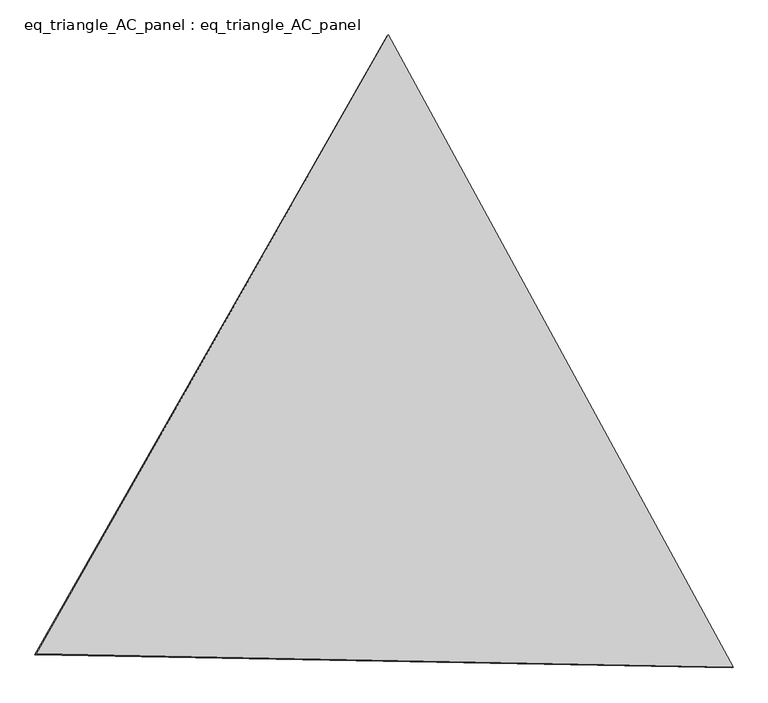
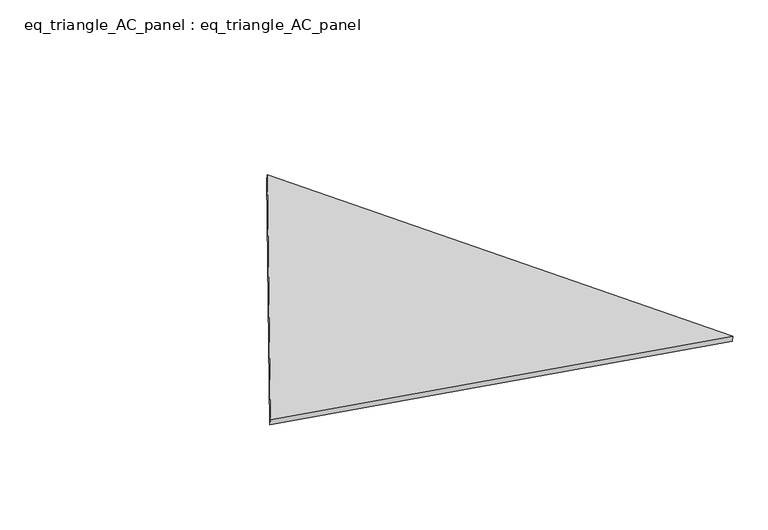
"""IFC4 building model written with IfcOpenShell, lengths in millimetres: proxy geometry, eq_triangle_AC_panel : eq_triangle_AC_panel."""

import ifcopenshell
import ifcopenshell.guid

model = None  # the IFC model being written
_history = None  # IfcOwnerHistory: only IFC2X3 demands one
_inside = {}  # id of a spatial element -> (the spatial element, [elements in it])
_under = {}  # id of a project, library or spatial element -> (it, [spatial elements below it])
_declared = {}  # id of a project -> (the project, [libraries it declares])
_typed = {}  # id of a type object -> (the type object, [elements of that type])
_made_of = {}  # id of a material, layer set ... -> (it, [elements and type objects made of it])


def new_model(schema):
    """Start an empty IFC model of exactly this schema.

    Asked for "IFC4X3", IfcOpenShell would pick the latest addendum, in which some entities
    have other attributes; the version numbers below select the first issue.
    IFC2X3 requires an IfcOwnerHistory on every rooted entity: one is made here for all.
    """
    global model, _history
    if schema == "IFC4X3":
        model = ifcopenshell.file(schema_version=(4, 3, 0, 0))
    else:
        model = ifcopenshell.file(schema=schema)
    _inside.clear()
    _under.clear()
    _declared.clear()
    _typed.clear()
    _made_of.clear()
    _history = None
    if model.schema == "IFC2X3":
        org = make("IfcOrganization", Name="unknown")
        user = make(
            "IfcPersonAndOrganization",
            ThePerson=make("IfcPerson", FamilyName="unknown"),
            TheOrganization=org,
        )
        app = make(
            "IfcApplication",
            ApplicationDeveloper=org,
            Version="unknown",
            ApplicationFullName="unknown",
            ApplicationIdentifier="unknown",
        )
        _history = make(
            "IfcOwnerHistory",
            OwningUser=user,
            OwningApplication=app,
            ChangeAction="ADDED",
            CreationDate=0,
        )
    return model


def make(cls, **values):
    """One entity of the class cls with the attributes given. An attribute that is None is left unset."""
    return model.create_entity(
        cls, **{name: value for name, value in values.items() if value is not None}
    )


def rooted(cls, **values):
    """An entity with a GlobalId (a new one), such as an element, a storey or a relation."""
    return make(cls, GlobalId=ifcopenshell.guid.new(), OwnerHistory=_history, **values)


def si_unit(unit_type, name, prefix=None):
    """IfcSIUnit, for example si_unit("LENGTHUNIT", "METRE", prefix="MILLI")."""
    return make("IfcSIUnit", UnitType=unit_type, Prefix=prefix, Name=name)


def assignment(units):
    """IfcUnitAssignment: the units of a project."""
    return None if units is None else make("IfcUnitAssignment", Units=units)


def point(xyz):
    """IfcCartesianPoint."""
    return None if xyz is None else make("IfcCartesianPoint", Coordinates=xyz)


def direction(xyz):
    """IfcDirection."""
    return None if xyz is None else make("IfcDirection", DirectionRatios=xyz)


def frame(location, z_axis=None, x_axis=None):
    """IfcAxis2Placement3D, a coordinate frame: its origin and axes. An axis left out is left unset."""
    return make(
        "IfcAxis2Placement3D",
        Location=point(location),
        Axis=direction(z_axis),
        RefDirection=direction(x_axis),
    )


def origin():
    """The frame at (0, 0, 0) with its axes left unset."""
    return frame((0.0, 0.0, 0.0))


def place(relative_to, where):
    """IfcLocalPlacement: puts the frame where relative to a parent placement (None: the world)."""
    return make(
        "IfcLocalPlacement", PlacementRelTo=relative_to, RelativePlacement=where
    )


def context(
    kind, dimensions, precision=None, world=None, true_north=None, identifier=None
):
    """IfcGeometricRepresentationContext, for example the 3D "Model" context."""
    return make(
        "IfcGeometricRepresentationContext",
        ContextIdentifier=identifier,
        ContextType=kind,
        CoordinateSpaceDimension=dimensions,
        Precision=precision,
        WorldCoordinateSystem=world,
        TrueNorth=true_north,
    )


def project(units=None, contexts=None):
    """IfcProject with its units and contexts."""
    return rooted(
        "IfcProject",
        Name="project",
        RepresentationContexts=contexts,
        UnitsInContext=assignment(units),
    )


def spatial(cls, under=None, at=None, **own):
    """A site, building, storey or space (cls), placed at a placement, below another one or the project."""
    s = rooted(cls, ObjectPlacement=at, **own)
    if under is not None:
        _under.setdefault(under.id(), (under, []))[1].append(s)
    return s


def polyline(points):
    """IfcPolyline through the points."""
    return make("IfcPolyline", Points=[point(p) for p in points])


def outline(outer, holes=None, kind="AREA"):
    """IfcArbitraryClosedProfileDef: a profile drawn as a closed curve; with holes, ...WithVoids."""
    if holes is None:
        return make("IfcArbitraryClosedProfileDef", ProfileType=kind, OuterCurve=outer)
    return make(
        "IfcArbitraryProfileDefWithVoids",
        ProfileType=kind,
        OuterCurve=outer,
        InnerCurves=holes,
    )


def extrude(swept, where, along, depth):
    """IfcExtrudedAreaSolid: the profile swept, set in the frame where, extruded along a direction by depth."""
    return make(
        "IfcExtrudedAreaSolid",
        SweptArea=swept,
        Position=where,
        ExtrudedDirection=direction(along),
        Depth=depth,
    )


def shape(context_of_items, identifier, shape_type, items):
    """IfcShapeRepresentation: the items that make up one representation, for example the "Body"."""
    return make(
        "IfcShapeRepresentation",
        ContextOfItems=context_of_items,
        RepresentationIdentifier=identifier,
        RepresentationType=shape_type,
        Items=items,
    )


def source(mapping_origin, context_of_items, identifier, shape_type, items):
    """IfcRepresentationMap: a shape defined once, which mapped items show again and again."""
    return make(
        "IfcRepresentationMap",
        MappingOrigin=mapping_origin,
        MappedRepresentation=shape(context_of_items, identifier, shape_type, items),
    )


def transform(
    local_origin,
    x_axis=None,
    y_axis=None,
    z_axis=None,
    scale=None,
    scale2=None,
    scale3=None,
    uniform=True,
):
    """IfcCartesianTransformationOperator3D, or its non-uniform kind. x_axis, y_axis, z_axis: its Axis1, 2, 3."""
    if uniform:
        return make(
            "IfcCartesianTransformationOperator3D",
            Axis1=direction(x_axis),
            Axis2=direction(y_axis),
            LocalOrigin=point(local_origin),
            Scale=scale,
            Axis3=direction(z_axis),
        )
    return make(
        "IfcCartesianTransformationOperator3DnonUniform",
        Axis1=direction(x_axis),
        Axis2=direction(y_axis),
        LocalOrigin=point(local_origin),
        Scale=scale,
        Axis3=direction(z_axis),
        Scale2=scale2,
        Scale3=scale3,
    )


def mapped(mapping_source, mapping_target):
    """IfcMappedItem: shows the shape of a source again, moved by a transform."""
    return make(
        "IfcMappedItem", MappingSource=mapping_source, MappingTarget=mapping_target
    )


def made_of(thing, what):
    """Note that an element or type object is made of a material, layer set ...; save() writes the relation."""
    if what is not None:
        _made_of.setdefault(what.id(), (what, []))[1].append(thing)
    return thing


def element(
    cls,
    number,
    at=None,
    inside=None,
    cuts=None,
    type_object=None,
    material=None,
    context=None,
    identifier="Body",
    shape_type=None,
    held_by="IfcProductDefinitionShape",
    body=None,
    shapes=None,
    **own,
):
    """One element of the class cls, such as IfcWall. Its Tag is "e" and its number.

    at: its placement. inside: the storey or other place that contains it. cuts: it is an
    opening in that element (IfcRelVoidsElement). A single representation is given by context,
    identifier, shape_type and body (its items); several are given by shapes. held_by: the class
    of the entity that holds the representations. save() writes the other relations.
    """
    e = rooted(cls, Tag="e%d" % number, ObjectPlacement=at, **own)
    if body is not None:
        shapes = [shape(context, identifier, shape_type, body)]
    if shapes is not None:
        e.Representation = make(held_by, Representations=shapes)
    if inside is not None:
        _inside.setdefault(inside.id(), (inside, []))[1].append(e)
    if cuts is not None:
        rooted(
            "IfcRelVoidsElement", RelatingBuildingElement=cuts, RelatedOpeningElement=e
        )
    if type_object is not None:
        _typed.setdefault(type_object.id(), (type_object, []))[1].append(e)
    return made_of(e, material)


def aggregate(whole, parts):
    """IfcRelAggregates: a whole, such as a stair, and the parts it consists of."""
    return rooted("IfcRelAggregates", RelatingObject=whole, RelatedObjects=parts)


def save(model, path):
    """Write the relations noted so far, then the file.

    IfcRelAggregates (storeys below a building ...), IfcRelContainedInSpatialStructure (elements
    in a storey), IfcRelDefinesByType, IfcRelAssociatesMaterial and IfcRelDeclares: one each for
    every whole, place, type object, material and project.
    """
    for whole, parts in _under.values():
        aggregate(whole, parts)
    for where, things in _inside.values():
        rooted(
            "IfcRelContainedInSpatialStructure",
            RelatedElements=things,
            RelatingStructure=where,
        )
    for kind, things in _typed.values():
        rooted("IfcRelDefinesByType", RelatedObjects=things, RelatingType=kind)
    for what, things in _made_of.values():
        rooted("IfcRelAssociatesMaterial", RelatedObjects=things, RelatingMaterial=what)
    for by, libraries in _declared.values():
        rooted("IfcRelDeclares", RelatingContext=by, RelatedDefinitions=libraries)
    model.write(path)


def eq_triangle_ac_panel_eq_triangle_ac_panel_d122a5d0(model_context):
    return source(origin(), model_context, "Body", "SweptSolid", [
        extrude(outline(polyline([(-2091.2842303, 1173.1700195), (2032.8306628, 1173.1700196), (58.4535673, -2346.3400391), (-2091.2842303, 1173.1700195)])), frame((0.0038051, 527.9290861, 89.8240019), z_axis=(0.14526328518047302, 0.08386570281802415, 0.9858321976226053), x_axis=(0.47858499779992025, -0.8780313029550416, 0.0041750343618010095)), (0.0, 0.0, 1.0), 43.8306294),
    ])


if __name__ == "__main__":
    model = new_model("IFC4")
    model_context = context("Model", 3, world=origin())
    ifc_project = project(units=[si_unit("LENGTHUNIT", "METRE", prefix="MILLI")], contexts=[model_context])
    site = spatial("IfcSite", under=ifc_project)
    building = spatial("IfcBuilding", under=site)
    placement = place(None, origin())
    eq_triangle_ac_panel_eq_triangle_ac_panel_shape = eq_triangle_ac_panel_eq_triangle_ac_panel_d122a5d0(model_context)
    element("IfcBuildingElementProxy", 1, Name="eq_triangle_AC_panel : eq_triangle_AC_panel", ObjectType="eq_triangle_AC_panel : eq_triangle_AC_panel", at=placement, inside=building, context=model_context, shape_type="MappedRepresentation", body=[
        mapped(eq_triangle_ac_panel_eq_triangle_ac_panel_shape, transform((0.0, 0.0, 0.0), x_axis=(1.0, 0.0, 0.0), y_axis=(0.0, 1.0, 0.0), z_axis=(0.0, 0.0, 1.0))),
    ])
    save(model, "model.ifc")
